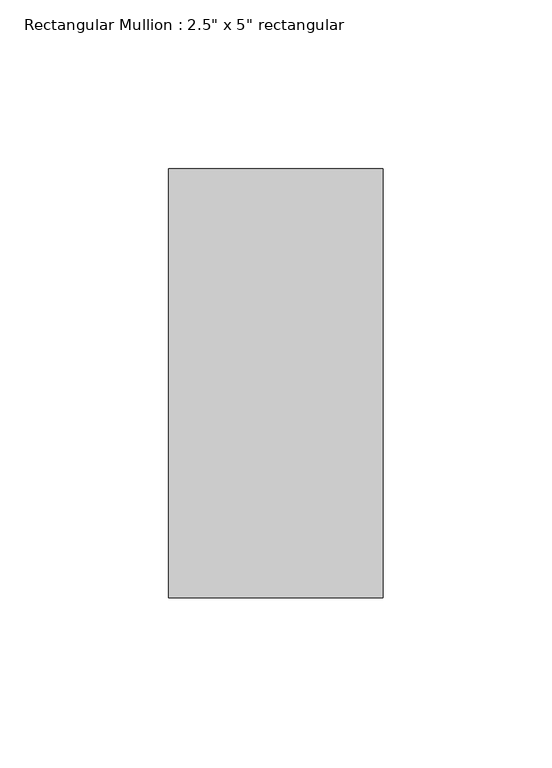
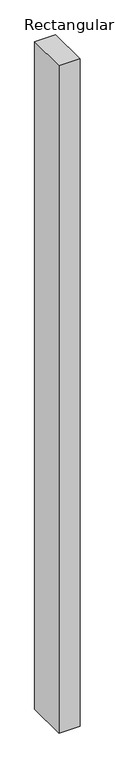
"""IFC4 building model written with IfcOpenShell, lengths in millimetres: member geometry."""

from ifc_helpers import new_model, si_unit, frame, origin, place, context, project, spatial, polyline, outline, extrude, source, transform, mapped, element, save


def member_3374d9b6(model_context):
    return source(origin(), model_context, "Body", "SweptSolid", [
        extrude(outline(polyline([(0.0, 63.5), (0.0, -63.5), (-63.5, -63.5), (-63.5, 63.5), (0.0, 63.5)])), frame((0.0, 0.0, -2133.6), z_axis=(0.0, 0.0, 1.0), x_axis=(1.0, 0.0, 0.0)), (0.0, 0.0, 1.0), 2133.6),
    ])


if __name__ == "__main__":
    model = new_model("IFC4")
    model_context = context("Model", 3, world=origin())
    ifc_project = project(units=[si_unit("LENGTHUNIT", "METRE", prefix="MILLI")], contexts=[model_context])
    site = spatial("IfcSite", under=ifc_project)
    building = spatial("IfcBuilding", under=site)
    placement = place(None, origin())
    member_shape = member_3374d9b6(model_context)
    element("IfcMember", 1, ObjectType="Rectangular Mullion : 2.5\" x 5\" rectangular", at=placement, inside=building, context=model_context, shape_type="MappedRepresentation", body=[
        mapped(member_shape, transform((0.0, 0.0, 0.0), x_axis=(1.0, 0.0, 0.0), y_axis=(0.0, 1.0, 0.0), z_axis=(0.0, 0.0, 1.0))),
    ])
    save(model, "model.ifc")
